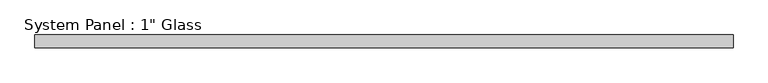
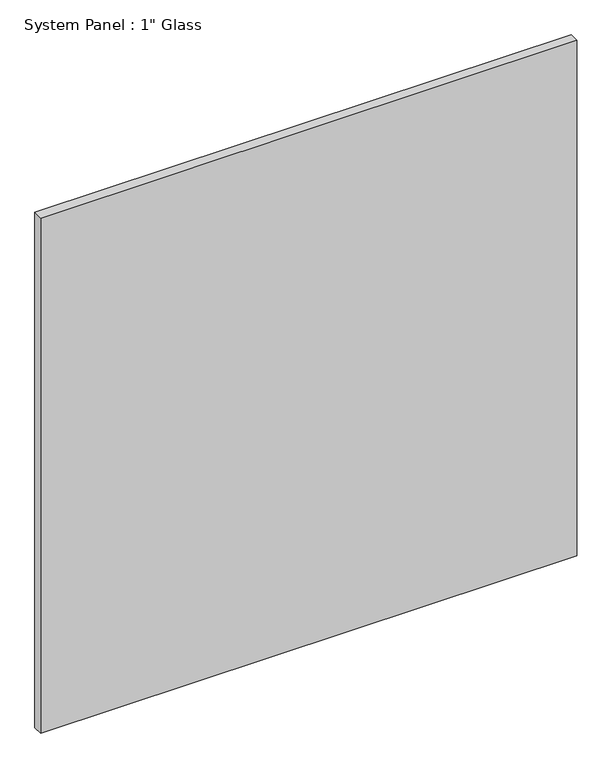
"""IFC4 building model written with IfcOpenShell, lengths in millimetres: plate geometry."""

import ifcopenshell
import ifcopenshell.guid

model = None  # the IFC model being written
_history = None  # IfcOwnerHistory: only IFC2X3 demands one
_inside = {}  # id of a spatial element -> (the spatial element, [elements in it])
_under = {}  # id of a project, library or spatial element -> (it, [spatial elements below it])
_declared = {}  # id of a project -> (the project, [libraries it declares])
_typed = {}  # id of a type object -> (the type object, [elements of that type])
_made_of = {}  # id of a material, layer set ... -> (it, [elements and type objects made of it])


def new_model(schema):
    """Start an empty IFC model of exactly this schema.

    Asked for "IFC4X3", IfcOpenShell would pick the latest addendum, in which some entities
    have other attributes; the version numbers below select the first issue.
    IFC2X3 requires an IfcOwnerHistory on every rooted entity: one is made here for all.
    """
    global model, _history
    if schema == "IFC4X3":
        model = ifcopenshell.file(schema_version=(4, 3, 0, 0))
    else:
        model = ifcopenshell.file(schema=schema)
    _inside.clear()
    _under.clear()
    _declared.clear()
    _typed.clear()
    _made_of.clear()
    _history = None
    if model.schema == "IFC2X3":
        org = make("IfcOrganization", Name="unknown")
        user = make(
            "IfcPersonAndOrganization",
            ThePerson=make("IfcPerson", FamilyName="unknown"),
            TheOrganization=org,
        )
        app = make(
            "IfcApplication",
            ApplicationDeveloper=org,
            Version="unknown",
            ApplicationFullName="unknown",
            ApplicationIdentifier="unknown",
        )
        _history = make(
            "IfcOwnerHistory",
            OwningUser=user,
            OwningApplication=app,
            ChangeAction="ADDED",
            CreationDate=0,
        )
    return model


def make(cls, **values):
    """One entity of the class cls with the attributes given. An attribute that is None is left unset."""
    return model.create_entity(
        cls, **{name: value for name, value in values.items() if value is not None}
    )


def rooted(cls, **values):
    """An entity with a GlobalId (a new one), such as an element, a storey or a relation."""
    return make(cls, GlobalId=ifcopenshell.guid.new(), OwnerHistory=_history, **values)


def si_unit(unit_type, name, prefix=None):
    """IfcSIUnit, for example si_unit("LENGTHUNIT", "METRE", prefix="MILLI")."""
    return make("IfcSIUnit", UnitType=unit_type, Prefix=prefix, Name=name)


def assignment(units):
    """IfcUnitAssignment: the units of a project."""
    return None if units is None else make("IfcUnitAssignment", Units=units)


def point(xyz):
    """IfcCartesianPoint."""
    return None if xyz is None else make("IfcCartesianPoint", Coordinates=xyz)


def direction(xyz):
    """IfcDirection."""
    return None if xyz is None else make("IfcDirection", DirectionRatios=xyz)


def frame(location, z_axis=None, x_axis=None):
    """IfcAxis2Placement3D, a coordinate frame: its origin and axes. An axis left out is left unset."""
    return make(
        "IfcAxis2Placement3D",
        Location=point(location),
        Axis=direction(z_axis),
        RefDirection=direction(x_axis),
    )


def origin():
    """The frame at (0, 0, 0) with its axes left unset."""
    return frame((0.0, 0.0, 0.0))


def origin_with_axes():
    """The frame at (0, 0, 0) with the z axis (0, 0, 1) and the x axis (1, 0, 0) written out."""
    return frame((0.0, 0.0, 0.0), z_axis=(0.0, 0.0, 1.0), x_axis=(1.0, 0.0, 0.0))


def place(relative_to, where):
    """IfcLocalPlacement: puts the frame where relative to a parent placement (None: the world)."""
    return make(
        "IfcLocalPlacement", PlacementRelTo=relative_to, RelativePlacement=where
    )


def context(
    kind, dimensions, precision=None, world=None, true_north=None, identifier=None
):
    """IfcGeometricRepresentationContext, for example the 3D "Model" context."""
    return make(
        "IfcGeometricRepresentationContext",
        ContextIdentifier=identifier,
        ContextType=kind,
        CoordinateSpaceDimension=dimensions,
        Precision=precision,
        WorldCoordinateSystem=world,
        TrueNorth=true_north,
    )


def project(units=None, contexts=None):
    """IfcProject with its units and contexts."""
    return rooted(
        "IfcProject",
        Name="project",
        RepresentationContexts=contexts,
        UnitsInContext=assignment(units),
    )


def spatial(cls, under=None, at=None, **own):
    """A site, building, storey or space (cls), placed at a placement, below another one or the project."""
    s = rooted(cls, ObjectPlacement=at, **own)
    if under is not None:
        _under.setdefault(under.id(), (under, []))[1].append(s)
    return s


def polyline(points):
    """IfcPolyline through the points."""
    return make("IfcPolyline", Points=[point(p) for p in points])


def outline(outer, holes=None, kind="AREA"):
    """IfcArbitraryClosedProfileDef: a profile drawn as a closed curve; with holes, ...WithVoids."""
    if holes is None:
        return make("IfcArbitraryClosedProfileDef", ProfileType=kind, OuterCurve=outer)
    return make(
        "IfcArbitraryProfileDefWithVoids",
        ProfileType=kind,
        OuterCurve=outer,
        InnerCurves=holes,
    )


def extrude(swept, where, along, depth):
    """IfcExtrudedAreaSolid: the profile swept, set in the frame where, extruded along a direction by depth."""
    return make(
        "IfcExtrudedAreaSolid",
        SweptArea=swept,
        Position=where,
        ExtrudedDirection=direction(along),
        Depth=depth,
    )


def shape(context_of_items, identifier, shape_type, items):
    """IfcShapeRepresentation: the items that make up one representation, for example the "Body"."""
    return make(
        "IfcShapeRepresentation",
        ContextOfItems=context_of_items,
        RepresentationIdentifier=identifier,
        RepresentationType=shape_type,
        Items=items,
    )


def source(mapping_origin, context_of_items, identifier, shape_type, items):
    """IfcRepresentationMap: a shape defined once, which mapped items show again and again."""
    return make(
        "IfcRepresentationMap",
        MappingOrigin=mapping_origin,
        MappedRepresentation=shape(context_of_items, identifier, shape_type, items),
    )


def transform(
    local_origin,
    x_axis=None,
    y_axis=None,
    z_axis=None,
    scale=None,
    scale2=None,
    scale3=None,
    uniform=True,
):
    """IfcCartesianTransformationOperator3D, or its non-uniform kind. x_axis, y_axis, z_axis: its Axis1, 2, 3."""
    if uniform:
        return make(
            "IfcCartesianTransformationOperator3D",
            Axis1=direction(x_axis),
            Axis2=direction(y_axis),
            LocalOrigin=point(local_origin),
            Scale=scale,
            Axis3=direction(z_axis),
        )
    return make(
        "IfcCartesianTransformationOperator3DnonUniform",
        Axis1=direction(x_axis),
        Axis2=direction(y_axis),
        LocalOrigin=point(local_origin),
        Scale=scale,
        Axis3=direction(z_axis),
        Scale2=scale2,
        Scale3=scale3,
    )


def mapped(mapping_source, mapping_target):
    """IfcMappedItem: shows the shape of a source again, moved by a transform."""
    return make(
        "IfcMappedItem", MappingSource=mapping_source, MappingTarget=mapping_target
    )


def made_of(thing, what):
    """Note that an element or type object is made of a material, layer set ...; save() writes the relation."""
    if what is not None:
        _made_of.setdefault(what.id(), (what, []))[1].append(thing)
    return thing


def element(
    cls,
    number,
    at=None,
    inside=None,
    cuts=None,
    type_object=None,
    material=None,
    context=None,
    identifier="Body",
    shape_type=None,
    held_by="IfcProductDefinitionShape",
    body=None,
    shapes=None,
    **own,
):
    """One element of the class cls, such as IfcWall. Its Tag is "e" and its number.

    at: its placement. inside: the storey or other place that contains it. cuts: it is an
    opening in that element (IfcRelVoidsElement). A single representation is given by context,
    identifier, shape_type and body (its items); several are given by shapes. held_by: the class
    of the entity that holds the representations. save() writes the other relations.
    """
    e = rooted(cls, Tag="e%d" % number, ObjectPlacement=at, **own)
    if body is not None:
        shapes = [shape(context, identifier, shape_type, body)]
    if shapes is not None:
        e.Representation = make(held_by, Representations=shapes)
    if inside is not None:
        _inside.setdefault(inside.id(), (inside, []))[1].append(e)
    if cuts is not None:
        rooted(
            "IfcRelVoidsElement", RelatingBuildingElement=cuts, RelatedOpeningElement=e
        )
    if type_object is not None:
        _typed.setdefault(type_object.id(), (type_object, []))[1].append(e)
    return made_of(e, material)


def aggregate(whole, parts):
    """IfcRelAggregates: a whole, such as a stair, and the parts it consists of."""
    return rooted("IfcRelAggregates", RelatingObject=whole, RelatedObjects=parts)


def save(model, path):
    """Write the relations noted so far, then the file.

    IfcRelAggregates (storeys below a building ...), IfcRelContainedInSpatialStructure (elements
    in a storey), IfcRelDefinesByType, IfcRelAssociatesMaterial and IfcRelDeclares: one each for
    every whole, place, type object, material and project.
    """
    for whole, parts in _under.values():
        aggregate(whole, parts)
    for where, things in _inside.values():
        rooted(
            "IfcRelContainedInSpatialStructure",
            RelatedElements=things,
            RelatingStructure=where,
        )
    for kind, things in _typed.values():
        rooted("IfcRelDefinesByType", RelatedObjects=things, RelatingType=kind)
    for what, things in _made_of.values():
        rooted("IfcRelAssociatesMaterial", RelatedObjects=things, RelatingMaterial=what)
    for by, libraries in _declared.values():
        rooted("IfcRelDeclares", RelatingContext=by, RelatedDefinitions=libraries)
    model.write(path)


def plate_3fbd6abf(model_context):
    return source(origin(), model_context, "Body", "SweptSolid", [
        extrude(outline(polyline([(701.6758852, -12.7), (-701.6758852, -12.7), (-701.6758852, 12.7), (701.6758852, 12.7), (701.6758852, -12.7)])), origin_with_axes(), (0.0, 0.0, 1.0), 1424.9417704),
    ])


if __name__ == "__main__":
    model = new_model("IFC4")
    model_context = context("Model", 3, world=origin())
    ifc_project = project(units=[si_unit("LENGTHUNIT", "METRE", prefix="MILLI")], contexts=[model_context])
    site = spatial("IfcSite", under=ifc_project)
    building = spatial("IfcBuilding", under=site)
    placement = place(None, origin())
    plate_shape = plate_3fbd6abf(model_context)
    element("IfcPlate", 1, ObjectType="System Panel : 1\" Glass", at=placement, inside=building, context=model_context, shape_type="MappedRepresentation", body=[
        mapped(plate_shape, transform((0.0, 0.0, 0.0), x_axis=(1.0, 0.0, 0.0), y_axis=(0.0, 1.0, 0.0), z_axis=(0.0, 0.0, 1.0))),
    ])
    save(model, "model.ifc")
